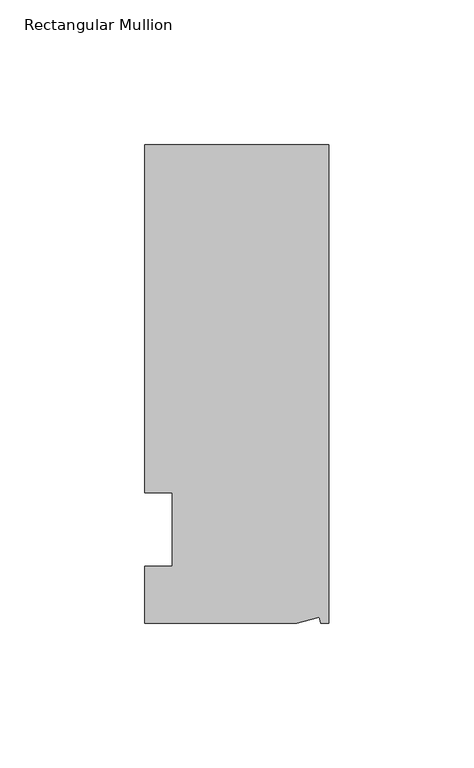
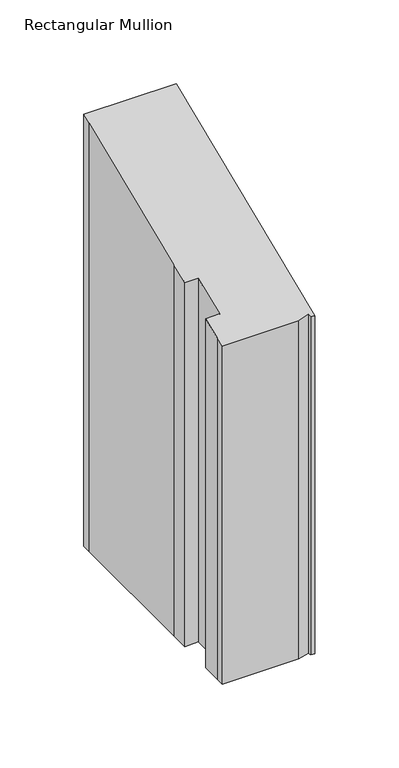
"""IFC4 building model written with IfcOpenShell, lengths in millimetres: member geometry, Rectangular Mullion."""

from ifc_helpers import new_model, si_unit, origin, place, context, project, spatial, faceted_brep, source, transform, mapped, element, save


def rectangular_mullion_9aaeee95(model_context):
    return source(origin(), model_context, "Body", "Brep", [
        faceted_brep([(-3.3457217, -17.5748952, -7.2797599), (-11.1265412, -19.6597595, -8.143339), (-11.1265412, -19.6597595, -254.0), (-3.3457217, -17.5748952, -254.0), (-2.787084, -19.6597595, -8.143339), (-2.787084, -19.6597595, -254.0), (0.0, -19.6597595, -8.143339), (0.0, -19.6597595, -254.0), (0.0, 145.4402405, 60.2433201), (0.0, 145.4402405, -254.0), (-63.5, 145.4402405, 60.2433201), (-63.5, 145.4402405, -254.0), (-63.5, 38.3358837, 15.8792429), (-63.5, 139.0912246, 57.6134716), (-63.5, 139.0912246, -254.0), (-63.5, 38.3358837, -254.0), (-53.975, 25.4, 10.5210245), (-63.5, 25.4, 10.5210245), (-63.5, 25.4, -254.0), (-53.975, 25.4, -254.0), (-53.975, 0.0, 0.0), (-53.975, 0.0, -254.0), (-63.5, 0.0, 0.0), (-63.5, 0.0, -254.0), (-63.5, -13.6093403, -5.6371733), (-63.5, -13.6093403, -254.0), (-63.5, -19.6597595, -8.143339), (-63.5, -19.6597595, -254.0)], [[[0, 1, 2, 3]], [[4, 0, 3, 5]], [[6, 4, 5, 7]], [[8, 6, 7, 9]], [[10, 8, 9, 11]], [[12, 13, 14, 15]], [[16, 17, 18, 19]], [[20, 16, 19, 21]], [[22, 20, 21, 23]], [[24, 22, 23, 25]], [[1, 26, 27, 2]], [[1, 0, 4, 6, 8, 10, 13, 12, 17, 16, 20, 22, 24, 26]], [[2, 27, 25, 23, 21, 19, 18, 15, 14, 11, 9, 7, 5, 3]], [[13, 10, 11, 14]], [[17, 12, 15, 18]], [[26, 24, 25, 27]]]),
    ])


if __name__ == "__main__":
    model = new_model("IFC4")
    model_context = context("Model", 3, world=origin())
    ifc_project = project(units=[si_unit("LENGTHUNIT", "METRE", prefix="MILLI")], contexts=[model_context])
    site = spatial("IfcSite", under=ifc_project)
    building = spatial("IfcBuilding", under=site)
    placement = place(None, origin())
    rectangular_mullion_shape = rectangular_mullion_9aaeee95(model_context)
    element("IfcMember", 1, ObjectType="Rectangular Mullion", at=placement, inside=building, context=model_context, shape_type="MappedRepresentation", body=[
        mapped(rectangular_mullion_shape, transform((0.0, 0.0, 0.0), x_axis=(1.0, 0.0, 0.0), y_axis=(0.0, 1.0, 0.0), z_axis=(0.0, 0.0, 1.0))),
    ])
    save(model, "model.ifc")
